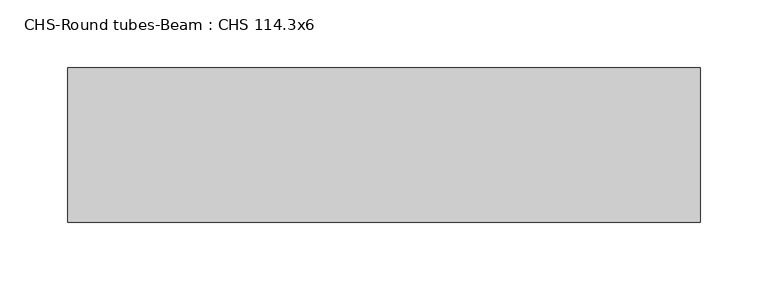
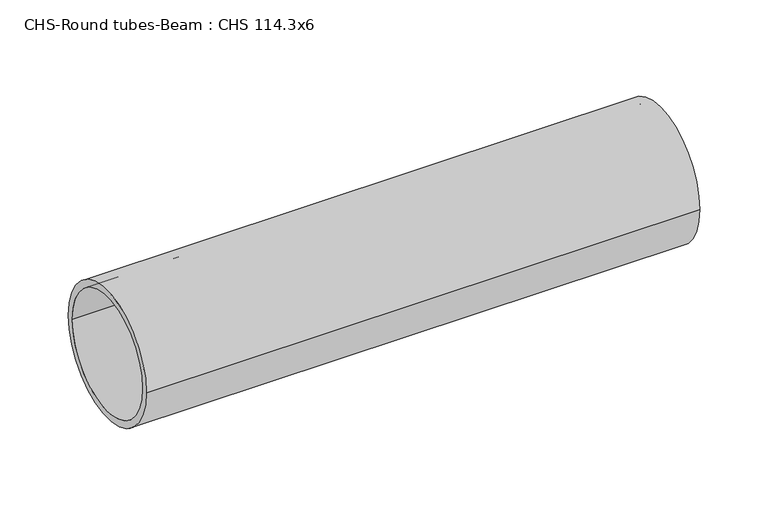
"""IFC4 building model written with IfcOpenShell, lengths in millimetres: beam geometry, CHS-Round tubes-Beam : CHS 114.3x6."""

from ifc_helpers import new_model, si_unit, point, frame, origin, origin_2d, place, context, project, spatial, circle_curve, trimmed, segment, composite_curve, outline, extrude, source, transform, mapped, element, save


def chs_round_tubes_beam_chs_114_3x6_7ca4e849(model_context):
    return source(origin(), model_context, "Body", "SweptSolid", [
        extrude(outline(composite_curve([segment(trimmed(circle_curve(origin_2d(), 57.15), [point((57.15, 0.0))], [point((-57.15, 0.0))], False, "CARTESIAN"), True, "CONTINUOUS"), segment(trimmed(circle_curve(origin_2d(), 57.15), [point((-57.15, 0.0))], [point((57.15, 0.0))], False, "CARTESIAN"), True, "CONTINUOUS")], self_intersect=False), holes=[composite_curve([segment(trimmed(circle_curve(origin_2d(), 51.15), [point((51.15, 0.0))], [point((-51.15, 0.0))], True, "CARTESIAN"), True, "CONTINUOUS"), segment(trimmed(circle_curve(origin_2d(), 51.15), [point((-51.15, 0.0))], [point((51.15, 0.0))], True, "CARTESIAN"), True, "CONTINUOUS")], self_intersect=False)]), frame((-211.5608773, 0.0, 0.0), z_axis=(1.0, 0.0, 0.0), x_axis=(0.0, 1.0, 0.0)), (0.0, 0.0, 1.0), 467.7413794),
    ])


if __name__ == "__main__":
    model = new_model("IFC4")
    model_context = context("Model", 3, world=origin())
    ifc_project = project(units=[si_unit("LENGTHUNIT", "METRE", prefix="MILLI")], contexts=[model_context])
    site = spatial("IfcSite", under=ifc_project)
    building = spatial("IfcBuilding", under=site)
    placement = place(None, origin())
    chs_round_tubes_beam_chs_114_3x6_shape = chs_round_tubes_beam_chs_114_3x6_7ca4e849(model_context)
    element("IfcBeam", 1, ObjectType="CHS-Round tubes-Beam : CHS 114.3x6", at=placement, inside=building, context=model_context, shape_type="MappedRepresentation", body=[
        mapped(chs_round_tubes_beam_chs_114_3x6_shape, transform((0.0, 0.0, 0.0), x_axis=(1.0, 0.0, 0.0), y_axis=(0.0, 1.0, 0.0), z_axis=(0.0, 0.0, 1.0))),
    ])
    save(model, "model.ifc")
